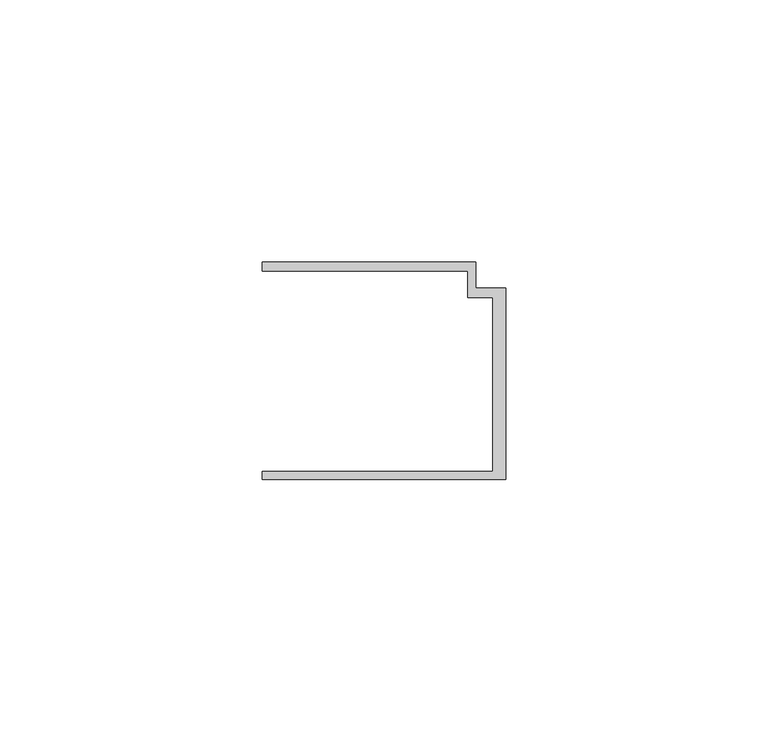
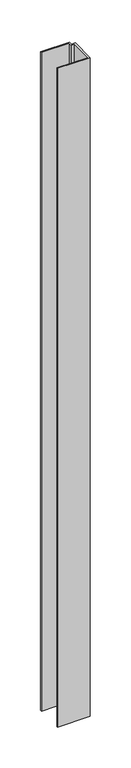
"""IFC4 building model written with IfcOpenShell, lengths in millimetres: member geometry."""

import ifcopenshell
import ifcopenshell.guid

model = None  # the IFC model being written
_history = None  # IfcOwnerHistory: only IFC2X3 demands one
_inside = {}  # id of a spatial element -> (the spatial element, [elements in it])
_under = {}  # id of a project, library or spatial element -> (it, [spatial elements below it])
_declared = {}  # id of a project -> (the project, [libraries it declares])
_typed = {}  # id of a type object -> (the type object, [elements of that type])
_made_of = {}  # id of a material, layer set ... -> (it, [elements and type objects made of it])


def new_model(schema):
    """Start an empty IFC model of exactly this schema.

    Asked for "IFC4X3", IfcOpenShell would pick the latest addendum, in which some entities
    have other attributes; the version numbers below select the first issue.
    IFC2X3 requires an IfcOwnerHistory on every rooted entity: one is made here for all.
    """
    global model, _history
    if schema == "IFC4X3":
        model = ifcopenshell.file(schema_version=(4, 3, 0, 0))
    else:
        model = ifcopenshell.file(schema=schema)
    _inside.clear()
    _under.clear()
    _declared.clear()
    _typed.clear()
    _made_of.clear()
    _history = None
    if model.schema == "IFC2X3":
        org = make("IfcOrganization", Name="unknown")
        user = make(
            "IfcPersonAndOrganization",
            ThePerson=make("IfcPerson", FamilyName="unknown"),
            TheOrganization=org,
        )
        app = make(
            "IfcApplication",
            ApplicationDeveloper=org,
            Version="unknown",
            ApplicationFullName="unknown",
            ApplicationIdentifier="unknown",
        )
        _history = make(
            "IfcOwnerHistory",
            OwningUser=user,
            OwningApplication=app,
            ChangeAction="ADDED",
            CreationDate=0,
        )
    return model


def make(cls, **values):
    """One entity of the class cls with the attributes given. An attribute that is None is left unset."""
    return model.create_entity(
        cls, **{name: value for name, value in values.items() if value is not None}
    )


def rooted(cls, **values):
    """An entity with a GlobalId (a new one), such as an element, a storey or a relation."""
    return make(cls, GlobalId=ifcopenshell.guid.new(), OwnerHistory=_history, **values)


def si_unit(unit_type, name, prefix=None):
    """IfcSIUnit, for example si_unit("LENGTHUNIT", "METRE", prefix="MILLI")."""
    return make("IfcSIUnit", UnitType=unit_type, Prefix=prefix, Name=name)


def assignment(units):
    """IfcUnitAssignment: the units of a project."""
    return None if units is None else make("IfcUnitAssignment", Units=units)


def point(xyz):
    """IfcCartesianPoint."""
    return None if xyz is None else make("IfcCartesianPoint", Coordinates=xyz)


def direction(xyz):
    """IfcDirection."""
    return None if xyz is None else make("IfcDirection", DirectionRatios=xyz)


def frame(location, z_axis=None, x_axis=None):
    """IfcAxis2Placement3D, a coordinate frame: its origin and axes. An axis left out is left unset."""
    return make(
        "IfcAxis2Placement3D",
        Location=point(location),
        Axis=direction(z_axis),
        RefDirection=direction(x_axis),
    )


def origin():
    """The frame at (0, 0, 0) with its axes left unset."""
    return frame((0.0, 0.0, 0.0))


def place(relative_to, where):
    """IfcLocalPlacement: puts the frame where relative to a parent placement (None: the world)."""
    return make(
        "IfcLocalPlacement", PlacementRelTo=relative_to, RelativePlacement=where
    )


def context(
    kind, dimensions, precision=None, world=None, true_north=None, identifier=None
):
    """IfcGeometricRepresentationContext, for example the 3D "Model" context."""
    return make(
        "IfcGeometricRepresentationContext",
        ContextIdentifier=identifier,
        ContextType=kind,
        CoordinateSpaceDimension=dimensions,
        Precision=precision,
        WorldCoordinateSystem=world,
        TrueNorth=true_north,
    )


def project(units=None, contexts=None):
    """IfcProject with its units and contexts."""
    return rooted(
        "IfcProject",
        Name="project",
        RepresentationContexts=contexts,
        UnitsInContext=assignment(units),
    )


def spatial(cls, under=None, at=None, **own):
    """A site, building, storey or space (cls), placed at a placement, below another one or the project."""
    s = rooted(cls, ObjectPlacement=at, **own)
    if under is not None:
        _under.setdefault(under.id(), (under, []))[1].append(s)
    return s


def polyline(points):
    """IfcPolyline through the points."""
    return make("IfcPolyline", Points=[point(p) for p in points])


def outline(outer, holes=None, kind="AREA"):
    """IfcArbitraryClosedProfileDef: a profile drawn as a closed curve; with holes, ...WithVoids."""
    if holes is None:
        return make("IfcArbitraryClosedProfileDef", ProfileType=kind, OuterCurve=outer)
    return make(
        "IfcArbitraryProfileDefWithVoids",
        ProfileType=kind,
        OuterCurve=outer,
        InnerCurves=holes,
    )


def extrude(swept, where, along, depth):
    """IfcExtrudedAreaSolid: the profile swept, set in the frame where, extruded along a direction by depth."""
    return make(
        "IfcExtrudedAreaSolid",
        SweptArea=swept,
        Position=where,
        ExtrudedDirection=direction(along),
        Depth=depth,
    )


def shape(context_of_items, identifier, shape_type, items):
    """IfcShapeRepresentation: the items that make up one representation, for example the "Body"."""
    return make(
        "IfcShapeRepresentation",
        ContextOfItems=context_of_items,
        RepresentationIdentifier=identifier,
        RepresentationType=shape_type,
        Items=items,
    )


def source(mapping_origin, context_of_items, identifier, shape_type, items):
    """IfcRepresentationMap: a shape defined once, which mapped items show again and again."""
    return make(
        "IfcRepresentationMap",
        MappingOrigin=mapping_origin,
        MappedRepresentation=shape(context_of_items, identifier, shape_type, items),
    )


def transform(
    local_origin,
    x_axis=None,
    y_axis=None,
    z_axis=None,
    scale=None,
    scale2=None,
    scale3=None,
    uniform=True,
):
    """IfcCartesianTransformationOperator3D, or its non-uniform kind. x_axis, y_axis, z_axis: its Axis1, 2, 3."""
    if uniform:
        return make(
            "IfcCartesianTransformationOperator3D",
            Axis1=direction(x_axis),
            Axis2=direction(y_axis),
            LocalOrigin=point(local_origin),
            Scale=scale,
            Axis3=direction(z_axis),
        )
    return make(
        "IfcCartesianTransformationOperator3DnonUniform",
        Axis1=direction(x_axis),
        Axis2=direction(y_axis),
        LocalOrigin=point(local_origin),
        Scale=scale,
        Axis3=direction(z_axis),
        Scale2=scale2,
        Scale3=scale3,
    )


def mapped(mapping_source, mapping_target):
    """IfcMappedItem: shows the shape of a source again, moved by a transform."""
    return make(
        "IfcMappedItem", MappingSource=mapping_source, MappingTarget=mapping_target
    )


def made_of(thing, what):
    """Note that an element or type object is made of a material, layer set ...; save() writes the relation."""
    if what is not None:
        _made_of.setdefault(what.id(), (what, []))[1].append(thing)
    return thing


def element(
    cls,
    number,
    at=None,
    inside=None,
    cuts=None,
    type_object=None,
    material=None,
    context=None,
    identifier="Body",
    shape_type=None,
    held_by="IfcProductDefinitionShape",
    body=None,
    shapes=None,
    **own,
):
    """One element of the class cls, such as IfcWall. Its Tag is "e" and its number.

    at: its placement. inside: the storey or other place that contains it. cuts: it is an
    opening in that element (IfcRelVoidsElement). A single representation is given by context,
    identifier, shape_type and body (its items); several are given by shapes. held_by: the class
    of the entity that holds the representations. save() writes the other relations.
    """
    e = rooted(cls, Tag="e%d" % number, ObjectPlacement=at, **own)
    if body is not None:
        shapes = [shape(context, identifier, shape_type, body)]
    if shapes is not None:
        e.Representation = make(held_by, Representations=shapes)
    if inside is not None:
        _inside.setdefault(inside.id(), (inside, []))[1].append(e)
    if cuts is not None:
        rooted(
            "IfcRelVoidsElement", RelatingBuildingElement=cuts, RelatedOpeningElement=e
        )
    if type_object is not None:
        _typed.setdefault(type_object.id(), (type_object, []))[1].append(e)
    return made_of(e, material)


def aggregate(whole, parts):
    """IfcRelAggregates: a whole, such as a stair, and the parts it consists of."""
    return rooted("IfcRelAggregates", RelatingObject=whole, RelatedObjects=parts)


def save(model, path):
    """Write the relations noted so far, then the file.

    IfcRelAggregates (storeys below a building ...), IfcRelContainedInSpatialStructure (elements
    in a storey), IfcRelDefinesByType, IfcRelAssociatesMaterial and IfcRelDeclares: one each for
    every whole, place, type object, material and project.
    """
    for whole, parts in _under.values():
        aggregate(whole, parts)
    for where, things in _inside.values():
        rooted(
            "IfcRelContainedInSpatialStructure",
            RelatedElements=things,
            RelatingStructure=where,
        )
    for kind, things in _typed.values():
        rooted("IfcRelDefinesByType", RelatedObjects=things, RelatingType=kind)
    for what, things in _made_of.values():
        rooted("IfcRelAssociatesMaterial", RelatedObjects=things, RelatingMaterial=what)
    for by, libraries in _declared.values():
        rooted("IfcRelDeclares", RelatingContext=by, RelatedDefinitions=libraries)
    model.write(path)


def member_79e34b63(model_context):
    return source(origin(), model_context, "Body", "SweptSolid", [
        extrude(outline(polyline([(-46.3, -19.2), (-2.4, -19.2), (-2.4, 14.0), (-7.2, 14.0), (-7.2, 19.0), (-46.3, 19.0), (-46.3, 20.7), (-5.6999992, 20.7), (-5.6999992, 15.8), (0.0, 15.8), (0.0, -20.7), (-46.3, -20.7), (-46.3, -19.2)])), frame((0.0, 0.0, -984.9000012), z_axis=(0.0, 0.0, 1.0), x_axis=(1.0, 0.0, 0.0)), (0.0, 0.0, 1.0), 984.9000012),
    ])


if __name__ == "__main__":
    model = new_model("IFC4")
    model_context = context("Model", 3, world=origin())
    ifc_project = project(units=[si_unit("LENGTHUNIT", "METRE", prefix="MILLI")], contexts=[model_context])
    site = spatial("IfcSite", under=ifc_project)
    building = spatial("IfcBuilding", under=site)
    placement = place(None, origin())
    member_shape = member_79e34b63(model_context)
    element("IfcMember", 1, at=placement, inside=building, context=model_context, shape_type="MappedRepresentation", body=[
        mapped(member_shape, transform((0.0, 0.0, 0.0), x_axis=(1.0, 0.0, 0.0), y_axis=(0.0, 1.0, 0.0), z_axis=(0.0, 0.0, 1.0))),
    ])
    save(model, "model.ifc")
